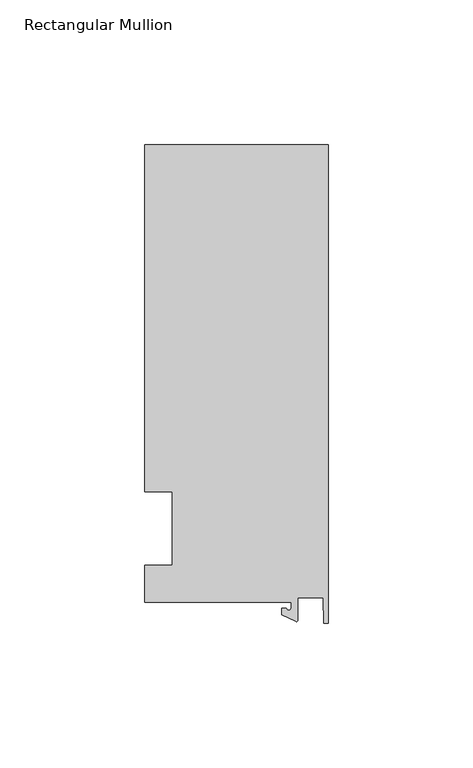
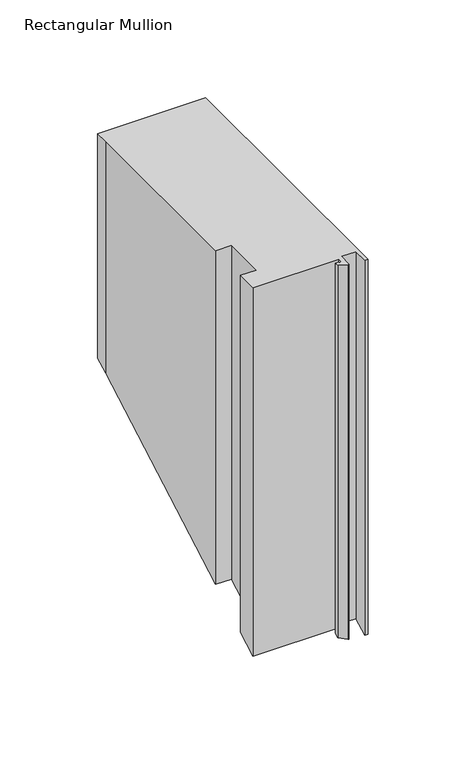
"""IFC4 building model written with IfcOpenShell, lengths in millimetres: member geometry, Rectangular Mullion."""

from ifc_helpers import new_model, si_unit, frame, origin, place, context, project, spatial, polyline, circle_curve, ellipse_curve, source, transform, mapped, element, save
from ifc_brep_helpers import plane_surface, cylinder_surface, revolved_surface, advanced_brep


def rectangular_mullion_cf312e15(model_context):
    return source(origin(), model_context, "Body", "AdvancedBrep", [
        advanced_brep(
        [(-12.8216721, -25.5984375, 0.0), (-12.8216721, -27.5208534, 0.0), (-14.4091721, -27.5208534, 0.0), (-15.9966721, -27.5208534, 0.0), (-15.9966721, -29.8830527, 0.0), (-11.1567622, -32.1399398, 0.0), (-10.4340721, -31.6795354, 0.0), (-10.4340721, -23.9227662, 0.0), (-1.7144124, -23.9227662, 0.0), (-1.5566453, -32.810012, 0.0), (0.0, -32.810012, 0.0), (0.0, 132.822512, 0.0), (-63.5, 132.822512, 0.0), (-63.5, 125.075512, 0.0), (-63.5, 12.7, 0.0), (-53.975, 12.7, 0.0), (-53.975, -12.7, 0.0), (-63.5, -12.7, 0.0), (-63.5, -25.5984375, 0.0), (-12.8216721, -25.5984375, -229.5379544), (-12.8216721, -27.5208534, -230.625605), (-14.4091721, -27.5208534, -230.625605), (-15.9966721, -27.5208534, -230.625605), (-15.9966721, -29.8830527, -231.9620731), (-11.1567622, -32.1399398, -233.2389583), (-10.4340721, -31.6795354, -232.9784741), (-10.4340721, -23.9227662, -228.5899052), (-1.7144124, -23.9227662, -228.5899052), (-1.5566453, -32.810012, -233.6180669), (0.0, -32.810012, -233.6180669), (0.0, 132.822512, -139.9076937), (-63.5, 132.822512, -139.9076937), (-63.5, 125.075512, -144.2907354), (-63.5, 12.7, -207.869741), (-53.975, 12.7, -207.869741), (-53.975, -12.7, -222.2403696), (-63.5, -12.7, -222.2403696), (-63.5, -25.5984375, -229.5379544)],
        [
            (0, 1),
            (1, 2, circle_curve(frame((-13.6154221, -27.5208534, 0.0), z_axis=(0.0, 0.0, -1.0), x_axis=(-1.0, 0.0, 0.0)), 0.79375)),
            (2, 3),
            (3, 4),
            (4, 5),
            (5, 6, circle_curve(frame((-10.9420721, -31.6795354, 0.0), z_axis=(0.0, 0.0, 1.0), x_axis=(-1.0, 0.0, 0.0)), 0.508)),
            (6, 7),
            (7, 8),
            (8, 9),
            (9, 10),
            (10, 11),
            (11, 12),
            (12, 13),
            (13, 14),
            (14, 15),
            (15, 16),
            (16, 17),
            (17, 18),
            (18, 0),
            (0, 19),
            (19, 20),
            (20, 1),
            (20, 21, ellipse_curve(frame((-13.6154221, -27.5208534, -230.625605), z_axis=(0.0, 0.4924235601034684, -0.8703556959398989), x_axis=(0.0, -0.8703556959398989, -0.49242356010346844)), 0.9119835, 0.79375)),
            (21, 2),
            (21, 22),
            (22, 3),
            (22, 23),
            (23, 4),
            (23, 24),
            (24, 5),
            (24, 25, ellipse_curve(frame((-10.9420721, -31.6795354, -232.9784741), z_axis=(0.0, -0.4924235601034684, 0.8703556959398989), x_axis=(0.0, 0.8703556959398989, 0.49242356010346844)), 0.5836694, 0.508)),
            (25, 6),
            (25, 26),
            (26, 7),
            (26, 27),
            (27, 8),
            (27, 28),
            (28, 9),
            (28, 29),
            (29, 10),
            (29, 30),
            (30, 11),
            (30, 31),
            (31, 12),
            (31, 32),
            (32, 13),
            (32, 33),
            (33, 14),
            (33, 34),
            (34, 15),
            (34, 35),
            (35, 16),
            (35, 36),
            (36, 17),
            (36, 37),
            (37, 18),
            (37, 19),
        ],
        [
            plane_surface(frame((0.0, -147.2211591, 0.0), z_axis=(0.0, 0.0, 1.0), x_axis=(-1.0, 0.0, 0.0))),
            plane_surface(frame((-12.8216721, -25.5984375, 0.0), z_axis=(-1.0, 0.0, 0.0), x_axis=(0.0, 0.0, -1.0))),
            revolved_surface(polyline([(-14.4091721, -27.5208534, -231.07468716182564), (-14.4091721, -27.5208534, 0.0)]), (-13.6154221, -27.5208534, 0.0), (0.0, 0.0, -1.0)),
            plane_surface(frame((-14.4091721, -27.5208534, 0.0), z_axis=(0.0, 1.0, 0.0), x_axis=(0.0, 0.0, -1.0))),
            plane_surface(frame((-15.9966721, -27.5208534, 0.0), z_axis=(-1.0, 0.0, 0.0), x_axis=(0.0, 0.0, -1.0))),
            plane_surface(frame((-15.9966721, -29.8830527, 0.0), z_axis=(-0.4226182617406985, -0.9063077870366505, 0.0), x_axis=(0.0, 0.0, -1.0))),
            cylinder_surface(frame((-10.9420721, -31.6795354, 0.0), z_axis=(0.0, 0.0, 1.0), x_axis=(-1.0, 0.0, 0.0)), 0.508),
            plane_surface(frame((-10.4340721, -31.6795354, 0.0), z_axis=(1.0, 0.0, 0.0), x_axis=(0.0, 0.0, -1.0))),
            plane_surface(frame((-10.4340721, -23.9227662, 0.0), z_axis=(0.0, -1.0, 0.0), x_axis=(0.0, 0.0, -1.0))),
            plane_surface(frame((-1.7144124, -23.9227662, 0.0), z_axis=(-0.9998424690407919, -0.017749284560600327, 0.0), x_axis=(0.0, 0.0, -1.0))),
            plane_surface(frame((-1.5566453, -32.810012, 0.0), z_axis=(0.0, -1.0, 0.0), x_axis=(0.0, 0.0, -1.0))),
            plane_surface(frame((0.0, -32.810012, 0.0), z_axis=(1.0, 0.0, 0.0), x_axis=(0.0, 0.0, -1.0))),
            plane_surface(frame((0.0, 132.822512, 0.0), z_axis=(0.0, 1.0, 0.0), x_axis=(0.0, 0.0, -1.0))),
            plane_surface(frame((-63.5, 132.822512, 0.0), z_axis=(-1.0, 0.0, 0.0), x_axis=(0.0, 0.0, -1.0))),
            plane_surface(frame((-63.5, 125.075512, 0.0), z_axis=(-1.0, 0.0, 0.0), x_axis=(0.0, 0.0, -1.0))),
            plane_surface(frame((-63.5, 12.7, 0.0), z_axis=(0.0, -1.0, 0.0), x_axis=(0.0, 0.0, -1.0))),
            plane_surface(frame((-53.975, 12.7, 0.0), z_axis=(-1.0, 0.0, 0.0), x_axis=(0.0, 0.0, -1.0))),
            plane_surface(frame((-53.975, -12.7, 0.0), z_axis=(0.0, 1.0, 0.0), x_axis=(0.0, 0.0, -1.0))),
            plane_surface(frame((-63.5, -12.7, 0.0), z_axis=(-1.0, 0.0, 0.0), x_axis=(0.0, 0.0, -1.0))),
            plane_surface(frame((-63.5, -25.5984375, 0.0), z_axis=(0.0, -1.0, 0.0), x_axis=(0.0, 0.0, -1.0))),
            plane_surface(frame((-304.8, 0.0, -215.0550553), z_axis=(0.0, 0.4924235601034684, -0.8703556959398989), x_axis=(0.0, 0.8703556959398989, 0.4924235601034684))),
        ],
        [
            (0, [[1, 2, 3, 4, 5, 6, 7, 8, 9, 10, 11, 12, 13, 14, 15, 16, 17, 18, 19]]),
            (1, [[-1, 20, 21, 22]]),
            (2, [[-2, -22, 23, 24]]),
            (3, [[-3, -24, 25, 26]]),
            (4, [[-4, -26, 27, 28]]),
            (5, [[-5, -28, 29, 30]]),
            (6, [[-6, -30, 31, 32]]),
            (7, [[-7, -32, 33, 34]]),
            (8, [[-8, -34, 35, 36]]),
            (9, [[-9, -36, 37, 38]]),
            (10, [[-10, -38, 39, 40]]),
            (11, [[-11, -40, 41, 42]]),
            (12, [[-12, -42, 43, 44]]),
            (13, [[-13, -44, 45, 46]]),
            (14, [[-14, -46, 47, 48]]),
            (15, [[-15, -48, 49, 50]]),
            (16, [[-16, -50, 51, 52]]),
            (17, [[-17, -52, 53, 54]]),
            (18, [[-18, -54, 55, 56]]),
            (19, [[-19, -56, 57, -20]]),
            (20, [[-57, -55, -53, -51, -49, -47, -45, -43, -41, -39, -37, -35, -33, -31, -29, -27, -25, -23, -21]]),
        ],
    ),
    ])


if __name__ == "__main__":
    model = new_model("IFC4")
    model_context = context("Model", 3, world=origin())
    ifc_project = project(units=[si_unit("LENGTHUNIT", "METRE", prefix="MILLI")], contexts=[model_context])
    site = spatial("IfcSite", under=ifc_project)
    building = spatial("IfcBuilding", under=site)
    placement = place(None, origin())
    rectangular_mullion_shape = rectangular_mullion_cf312e15(model_context)
    element("IfcMember", 1, ObjectType="Rectangular Mullion", at=placement, inside=building, context=model_context, shape_type="MappedRepresentation", body=[
        mapped(rectangular_mullion_shape, transform((0.0, 0.0, 0.0), x_axis=(1.0, 0.0, 0.0), y_axis=(0.0, 1.0, 0.0), z_axis=(0.0, 0.0, 1.0))),
    ])
    save(model, "model.ifc")
